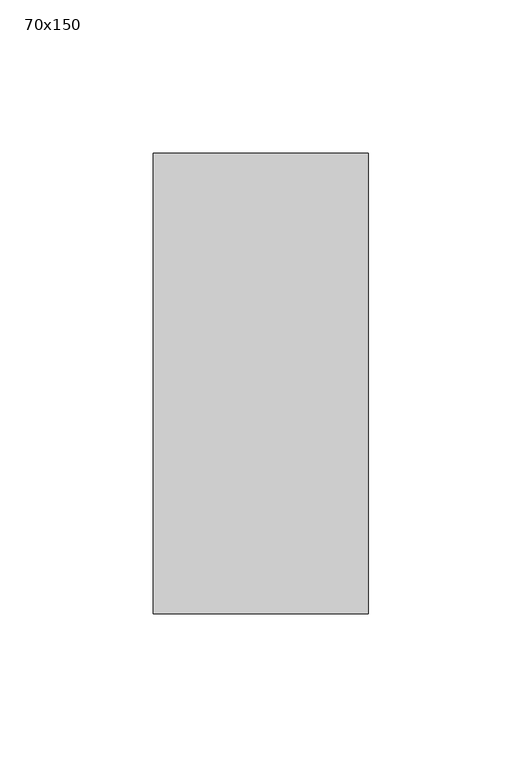
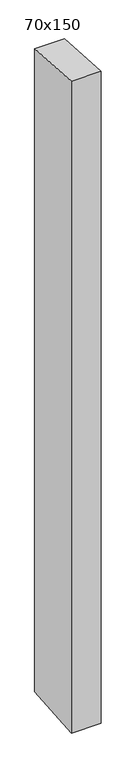
"""IFC4 building model written with IfcOpenShell, lengths in millimetres: member geometry, 70x150."""

from ifc_helpers import new_model, si_unit, frame, origin, place, context, project, spatial, polyline, outline, extrude, source, transform, mapped, element, save


def member_70x150_2ab56e3e(model_context):
    return source(origin(), model_context, "Body", "SweptSolid", [
        extrude(outline(polyline([(-75.0, 4.9317385), (75.0, -4.9317385), (75.0, -1612.9055464), (-75.0, -1625.0569542), (-75.0, 4.9317385)])), frame((-35.0, 0.0, 0.0), z_axis=(1.0, 0.0, 0.0), x_axis=(0.0, 1.0, 0.0)), (0.0, 0.0, 1.0), 70.0),
    ])


if __name__ == "__main__":
    model = new_model("IFC4")
    model_context = context("Model", 3, world=origin())
    ifc_project = project(units=[si_unit("LENGTHUNIT", "METRE", prefix="MILLI")], contexts=[model_context])
    site = spatial("IfcSite", under=ifc_project)
    building = spatial("IfcBuilding", under=site)
    placement = place(None, origin())
    member_70x150_shape = member_70x150_2ab56e3e(model_context)
    element("IfcMember", 1, ObjectType="70x150", at=placement, inside=building, context=model_context, shape_type="MappedRepresentation", body=[
        mapped(member_70x150_shape, transform((0.0, 0.0, 0.0), x_axis=(1.0, 0.0, 0.0), y_axis=(0.0, 1.0, 0.0), z_axis=(0.0, 0.0, 1.0))),
    ])
    save(model, "model.ifc")
